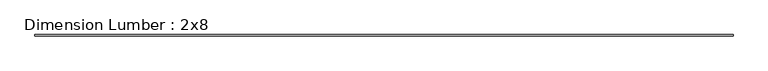
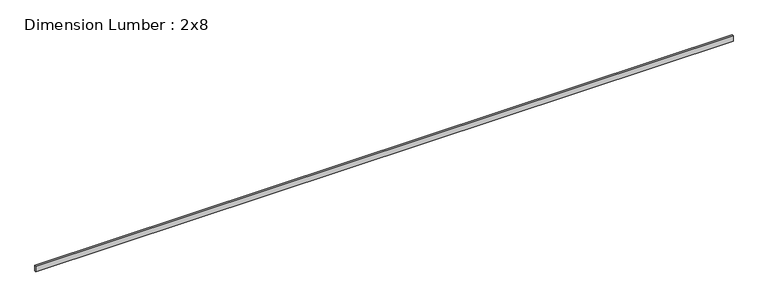
"""IFC4 building model written with IfcOpenShell, lengths in millimetres: beam geometry, Dimension Lumber : 2x8."""

import ifcopenshell
import ifcopenshell.guid

model = None  # the IFC model being written
_history = None  # IfcOwnerHistory: only IFC2X3 demands one
_inside = {}  # id of a spatial element -> (the spatial element, [elements in it])
_under = {}  # id of a project, library or spatial element -> (it, [spatial elements below it])
_declared = {}  # id of a project -> (the project, [libraries it declares])
_typed = {}  # id of a type object -> (the type object, [elements of that type])
_made_of = {}  # id of a material, layer set ... -> (it, [elements and type objects made of it])


def new_model(schema):
    """Start an empty IFC model of exactly this schema.

    Asked for "IFC4X3", IfcOpenShell would pick the latest addendum, in which some entities
    have other attributes; the version numbers below select the first issue.
    IFC2X3 requires an IfcOwnerHistory on every rooted entity: one is made here for all.
    """
    global model, _history
    if schema == "IFC4X3":
        model = ifcopenshell.file(schema_version=(4, 3, 0, 0))
    else:
        model = ifcopenshell.file(schema=schema)
    _inside.clear()
    _under.clear()
    _declared.clear()
    _typed.clear()
    _made_of.clear()
    _history = None
    if model.schema == "IFC2X3":
        org = make("IfcOrganization", Name="unknown")
        user = make(
            "IfcPersonAndOrganization",
            ThePerson=make("IfcPerson", FamilyName="unknown"),
            TheOrganization=org,
        )
        app = make(
            "IfcApplication",
            ApplicationDeveloper=org,
            Version="unknown",
            ApplicationFullName="unknown",
            ApplicationIdentifier="unknown",
        )
        _history = make(
            "IfcOwnerHistory",
            OwningUser=user,
            OwningApplication=app,
            ChangeAction="ADDED",
            CreationDate=0,
        )
    return model


def make(cls, **values):
    """One entity of the class cls with the attributes given. An attribute that is None is left unset."""
    return model.create_entity(
        cls, **{name: value for name, value in values.items() if value is not None}
    )


def rooted(cls, **values):
    """An entity with a GlobalId (a new one), such as an element, a storey or a relation."""
    return make(cls, GlobalId=ifcopenshell.guid.new(), OwnerHistory=_history, **values)


def si_unit(unit_type, name, prefix=None):
    """IfcSIUnit, for example si_unit("LENGTHUNIT", "METRE", prefix="MILLI")."""
    return make("IfcSIUnit", UnitType=unit_type, Prefix=prefix, Name=name)


def assignment(units):
    """IfcUnitAssignment: the units of a project."""
    return None if units is None else make("IfcUnitAssignment", Units=units)


def point(xyz):
    """IfcCartesianPoint."""
    return None if xyz is None else make("IfcCartesianPoint", Coordinates=xyz)


def direction(xyz):
    """IfcDirection."""
    return None if xyz is None else make("IfcDirection", DirectionRatios=xyz)


def frame(location, z_axis=None, x_axis=None):
    """IfcAxis2Placement3D, a coordinate frame: its origin and axes. An axis left out is left unset."""
    return make(
        "IfcAxis2Placement3D",
        Location=point(location),
        Axis=direction(z_axis),
        RefDirection=direction(x_axis),
    )


def origin():
    """The frame at (0, 0, 0) with its axes left unset."""
    return frame((0.0, 0.0, 0.0))


def place(relative_to, where):
    """IfcLocalPlacement: puts the frame where relative to a parent placement (None: the world)."""
    return make(
        "IfcLocalPlacement", PlacementRelTo=relative_to, RelativePlacement=where
    )


def context(
    kind, dimensions, precision=None, world=None, true_north=None, identifier=None
):
    """IfcGeometricRepresentationContext, for example the 3D "Model" context."""
    return make(
        "IfcGeometricRepresentationContext",
        ContextIdentifier=identifier,
        ContextType=kind,
        CoordinateSpaceDimension=dimensions,
        Precision=precision,
        WorldCoordinateSystem=world,
        TrueNorth=true_north,
    )


def project(units=None, contexts=None):
    """IfcProject with its units and contexts."""
    return rooted(
        "IfcProject",
        Name="project",
        RepresentationContexts=contexts,
        UnitsInContext=assignment(units),
    )


def spatial(cls, under=None, at=None, **own):
    """A site, building, storey or space (cls), placed at a placement, below another one or the project."""
    s = rooted(cls, ObjectPlacement=at, **own)
    if under is not None:
        _under.setdefault(under.id(), (under, []))[1].append(s)
    return s


def polyline(points):
    """IfcPolyline through the points."""
    return make("IfcPolyline", Points=[point(p) for p in points])


def outline(outer, holes=None, kind="AREA"):
    """IfcArbitraryClosedProfileDef: a profile drawn as a closed curve; with holes, ...WithVoids."""
    if holes is None:
        return make("IfcArbitraryClosedProfileDef", ProfileType=kind, OuterCurve=outer)
    return make(
        "IfcArbitraryProfileDefWithVoids",
        ProfileType=kind,
        OuterCurve=outer,
        InnerCurves=holes,
    )


def extrude(swept, where, along, depth):
    """IfcExtrudedAreaSolid: the profile swept, set in the frame where, extruded along a direction by depth."""
    return make(
        "IfcExtrudedAreaSolid",
        SweptArea=swept,
        Position=where,
        ExtrudedDirection=direction(along),
        Depth=depth,
    )


def shape(context_of_items, identifier, shape_type, items):
    """IfcShapeRepresentation: the items that make up one representation, for example the "Body"."""
    return make(
        "IfcShapeRepresentation",
        ContextOfItems=context_of_items,
        RepresentationIdentifier=identifier,
        RepresentationType=shape_type,
        Items=items,
    )


def source(mapping_origin, context_of_items, identifier, shape_type, items):
    """IfcRepresentationMap: a shape defined once, which mapped items show again and again."""
    return make(
        "IfcRepresentationMap",
        MappingOrigin=mapping_origin,
        MappedRepresentation=shape(context_of_items, identifier, shape_type, items),
    )


def transform(
    local_origin,
    x_axis=None,
    y_axis=None,
    z_axis=None,
    scale=None,
    scale2=None,
    scale3=None,
    uniform=True,
):
    """IfcCartesianTransformationOperator3D, or its non-uniform kind. x_axis, y_axis, z_axis: its Axis1, 2, 3."""
    if uniform:
        return make(
            "IfcCartesianTransformationOperator3D",
            Axis1=direction(x_axis),
            Axis2=direction(y_axis),
            LocalOrigin=point(local_origin),
            Scale=scale,
            Axis3=direction(z_axis),
        )
    return make(
        "IfcCartesianTransformationOperator3DnonUniform",
        Axis1=direction(x_axis),
        Axis2=direction(y_axis),
        LocalOrigin=point(local_origin),
        Scale=scale,
        Axis3=direction(z_axis),
        Scale2=scale2,
        Scale3=scale3,
    )


def mapped(mapping_source, mapping_target):
    """IfcMappedItem: shows the shape of a source again, moved by a transform."""
    return make(
        "IfcMappedItem", MappingSource=mapping_source, MappingTarget=mapping_target
    )


def made_of(thing, what):
    """Note that an element or type object is made of a material, layer set ...; save() writes the relation."""
    if what is not None:
        _made_of.setdefault(what.id(), (what, []))[1].append(thing)
    return thing


def element(
    cls,
    number,
    at=None,
    inside=None,
    cuts=None,
    type_object=None,
    material=None,
    context=None,
    identifier="Body",
    shape_type=None,
    held_by="IfcProductDefinitionShape",
    body=None,
    shapes=None,
    **own,
):
    """One element of the class cls, such as IfcWall. Its Tag is "e" and its number.

    at: its placement. inside: the storey or other place that contains it. cuts: it is an
    opening in that element (IfcRelVoidsElement). A single representation is given by context,
    identifier, shape_type and body (its items); several are given by shapes. held_by: the class
    of the entity that holds the representations. save() writes the other relations.
    """
    e = rooted(cls, Tag="e%d" % number, ObjectPlacement=at, **own)
    if body is not None:
        shapes = [shape(context, identifier, shape_type, body)]
    if shapes is not None:
        e.Representation = make(held_by, Representations=shapes)
    if inside is not None:
        _inside.setdefault(inside.id(), (inside, []))[1].append(e)
    if cuts is not None:
        rooted(
            "IfcRelVoidsElement", RelatingBuildingElement=cuts, RelatedOpeningElement=e
        )
    if type_object is not None:
        _typed.setdefault(type_object.id(), (type_object, []))[1].append(e)
    return made_of(e, material)


def aggregate(whole, parts):
    """IfcRelAggregates: a whole, such as a stair, and the parts it consists of."""
    return rooted("IfcRelAggregates", RelatingObject=whole, RelatedObjects=parts)


def save(model, path):
    """Write the relations noted so far, then the file.

    IfcRelAggregates (storeys below a building ...), IfcRelContainedInSpatialStructure (elements
    in a storey), IfcRelDefinesByType, IfcRelAssociatesMaterial and IfcRelDeclares: one each for
    every whole, place, type object, material and project.
    """
    for whole, parts in _under.values():
        aggregate(whole, parts)
    for where, things in _inside.values():
        rooted(
            "IfcRelContainedInSpatialStructure",
            RelatedElements=things,
            RelatingStructure=where,
        )
    for kind, things in _typed.values():
        rooted("IfcRelDefinesByType", RelatedObjects=things, RelatingType=kind)
    for what, things in _made_of.values():
        rooted("IfcRelAssociatesMaterial", RelatedObjects=things, RelatingMaterial=what)
    for by, libraries in _declared.values():
        rooted("IfcRelDeclares", RelatingContext=by, RelatedDefinitions=libraries)
    model.write(path)


def dimension_lumber_2x8_f015e918(model_context):
    return source(origin(), model_context, "Body", "SweptSolid", [
        extrude(outline(polyline([(10830.2335598, 19.05), (10830.2335598, -19.05), (-10830.2335598, -19.05), (-10830.2335598, 19.05), (10830.2335598, 19.05)])), frame((0.0, 0.0, -92.075), z_axis=(0.0, 0.0, 1.0), x_axis=(1.0, 0.0, 0.0)), (0.0, 0.0, 1.0), 184.15),
    ])


if __name__ == "__main__":
    model = new_model("IFC4")
    model_context = context("Model", 3, world=origin())
    ifc_project = project(units=[si_unit("LENGTHUNIT", "METRE", prefix="MILLI")], contexts=[model_context])
    site = spatial("IfcSite", under=ifc_project)
    building = spatial("IfcBuilding", under=site)
    placement = place(None, origin())
    dimension_lumber_2x8_shape = dimension_lumber_2x8_f015e918(model_context)
    element("IfcBeam", 1, ObjectType="Dimension Lumber : 2x8", at=placement, inside=building, context=model_context, shape_type="MappedRepresentation", body=[
        mapped(dimension_lumber_2x8_shape, transform((0.0, 0.0, 0.0), x_axis=(1.0, 0.0, 0.0), y_axis=(0.0, 1.0, 0.0), z_axis=(0.0, 0.0, 1.0))),
    ])
    save(model, "model.ifc")
